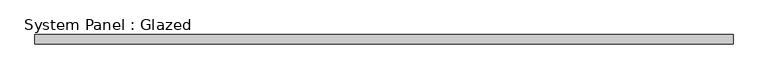
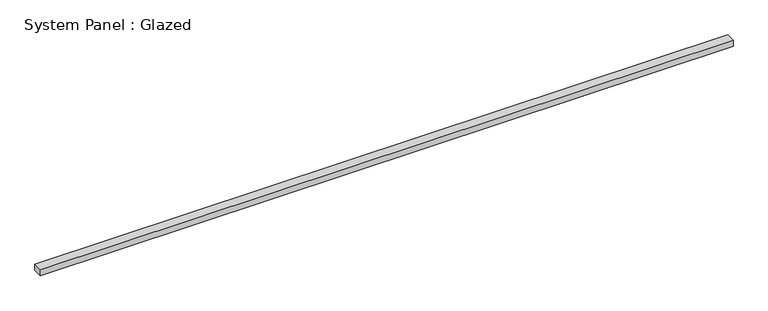
"""IFC4 building model written with IfcOpenShell, lengths in millimetres: plate geometry, System Panel : Glazed."""

from ifc_helpers import new_model, si_unit, origin, origin_with_axes, place, context, project, spatial, polyline, outline, extrude, source, transform, mapped, element, save


def system_panel_glazed_d232f4c5(model_context):
    return source(origin(), model_context, "Body", "SweptSolid", [
        extrude(outline(polyline([(941.5, 24.5), (-941.5, 24.5), (-941.5, 49.5), (941.5, 49.5), (941.5, 24.5)])), origin_with_axes(), (0.0, 0.0, 1.0), 17.1692572),
    ])


if __name__ == "__main__":
    model = new_model("IFC4")
    model_context = context("Model", 3, world=origin())
    ifc_project = project(units=[si_unit("LENGTHUNIT", "METRE", prefix="MILLI")], contexts=[model_context])
    site = spatial("IfcSite", under=ifc_project)
    building = spatial("IfcBuilding", under=site)
    placement = place(None, origin())
    system_panel_glazed_shape = system_panel_glazed_d232f4c5(model_context)
    element("IfcPlate", 1, ObjectType="System Panel : Glazed", at=placement, inside=building, context=model_context, shape_type="MappedRepresentation", body=[
        mapped(system_panel_glazed_shape, transform((0.0, 0.0, 0.0), x_axis=(1.0, 0.0, 0.0), y_axis=(0.0, 1.0, 0.0), z_axis=(0.0, 0.0, 1.0))),
    ])
    save(model, "model.ifc")
